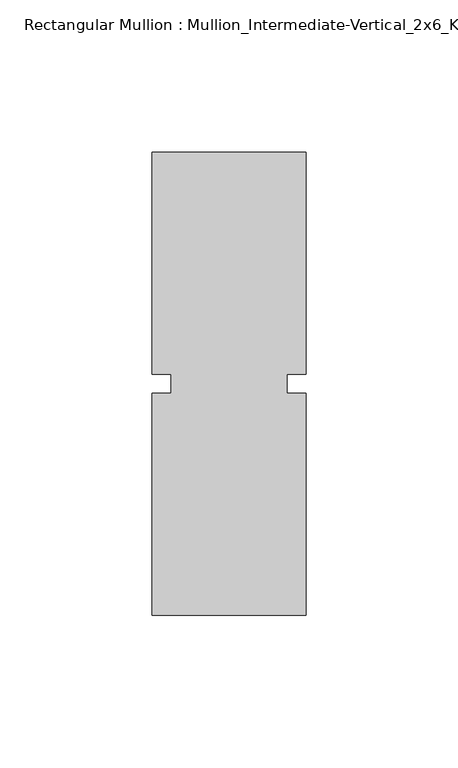
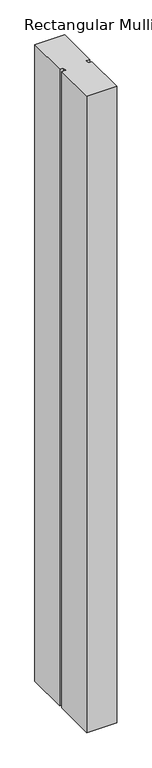
"""IFC4 building model written with IfcOpenShell, lengths in millimetres: member geometry, Rectangular Mullion : Mullion_Intermediate-Vertical_2x6_Kawneer."""

from ifc_helpers import new_model, si_unit, frame, origin, place, context, project, spatial, polyline, outline, extrude, source, transform, mapped, element, save


def rectangular_mullion_mullion_intermediate_vertical_2x6_bd477323(model_context):
    return source(origin(), model_context, "Body", "SweptSolid", [
        extrude(outline(polyline([(25.4, -76.2), (-25.4, -76.2), (-25.4, -3.175), (-19.05, -3.175), (-19.05, 3.175), (-25.4, 3.175), (-25.4, 76.2), (25.4, 76.2), (25.4, 3.175), (19.05, 3.175), (19.05, -3.175), (25.4, -3.175), (25.4, -76.2)])), frame((0.0, 0.0, -1143.0), z_axis=(0.0, 0.0, 1.0), x_axis=(1.0, 0.0, 0.0)), (0.0, 0.0, 1.0), 1143.0),
    ])


if __name__ == "__main__":
    model = new_model("IFC4")
    model_context = context("Model", 3, world=origin())
    ifc_project = project(units=[si_unit("LENGTHUNIT", "METRE", prefix="MILLI")], contexts=[model_context])
    site = spatial("IfcSite", under=ifc_project)
    building = spatial("IfcBuilding", under=site)
    placement = place(None, origin())
    rectangular_mullion_mullion_intermediate_vertical_2x6_shape = rectangular_mullion_mullion_intermediate_vertical_2x6_bd477323(model_context)
    element("IfcMember", 1, ObjectType="Rectangular Mullion : Mullion_Intermediate-Vertical_2x6_Kawneer", at=placement, inside=building, context=model_context, shape_type="MappedRepresentation", body=[
        mapped(rectangular_mullion_mullion_intermediate_vertical_2x6_shape, transform((0.0, 0.0, 0.0), x_axis=(1.0, 0.0, 0.0), y_axis=(0.0, 1.0, 0.0), z_axis=(0.0, 0.0, 1.0))),
    ])
    save(model, "model.ifc")
